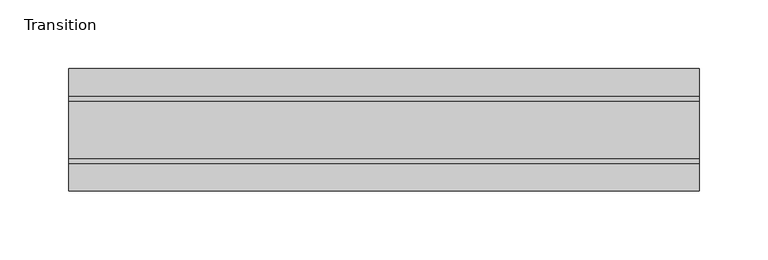
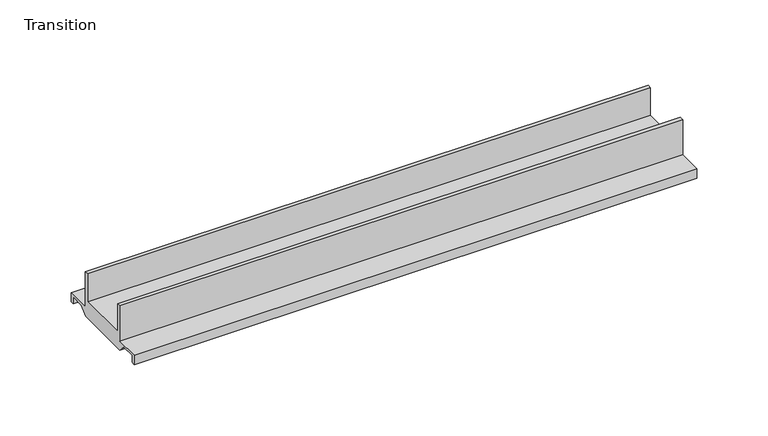
"""IFC4 building model written with IfcOpenShell, lengths in millimetres: furniture geometry, Transition."""

from ifc_helpers import new_model, si_unit, frame, origin, place, context, project, spatial, polyline, outline, extrude, source, transform, mapped, element, save


def transition_66cbd05f(model_context):
    return source(origin(), model_context, "Body", "SweptSolid", [
        extrude(outline(polyline([(-8.7481957, 7.9375), (-8.7481957, 38.1), (-5.4481956, 38.1), (-5.4481956, 14.2875), (36.4518057, 14.2875), (36.4518057, 38.1), (39.7518058, 38.1), (39.7518058, 7.9375), (59.951805, 7.9375), (59.951805, 0.0), (56.9518064, 0.0), (56.9518064, 5.9490373), (45.4824065, 5.9490373), (39.5333691, 0.0), (-8.5297591, 0.0), (-14.4787964, 5.9490373), (-25.9481963, 5.9490373), (-25.9481963, 0.0), (-28.948195, 0.0), (-28.948195, 7.9375), (-8.7481957, 7.9375)])), frame((-198.6228469, 0.0, 0.0), z_axis=(1.0, 0.0, 0.0), x_axis=(0.0, 1.0, 0.0)), (0.0, 0.0, 1.0), 457.2),
    ])


if __name__ == "__main__":
    model = new_model("IFC4")
    model_context = context("Model", 3, world=origin())
    ifc_project = project(units=[si_unit("LENGTHUNIT", "METRE", prefix="MILLI")], contexts=[model_context])
    site = spatial("IfcSite", under=ifc_project)
    building = spatial("IfcBuilding", under=site)
    placement = place(None, origin())
    transition_shape = transition_66cbd05f(model_context)
    element("IfcFurniture", 1, ObjectType="Transition", at=placement, inside=building, context=model_context, shape_type="MappedRepresentation", body=[
        mapped(transition_shape, transform((0.0, 0.0, 0.0), x_axis=(1.0, 0.0, 0.0), y_axis=(0.0, 1.0, 0.0), z_axis=(0.0, 0.0, 1.0))),
    ])
    save(model, "model.ifc")
